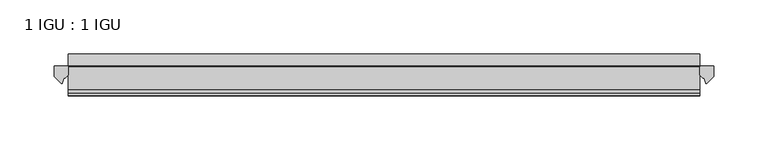
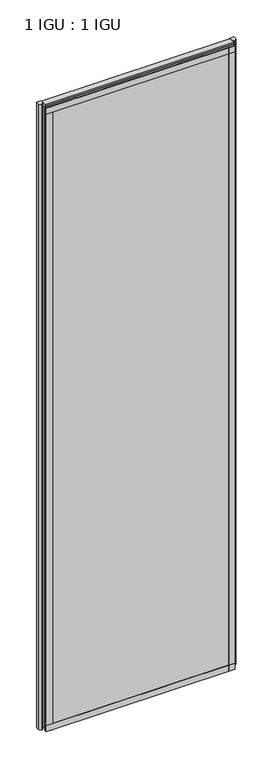
"""IFC4 building model written with IfcOpenShell, lengths in millimetres: plate geometry, 1 IGU : 1 IGU."""

from ifc_helpers import new_model, si_unit, point, frame, frame_2d, origin, place, context, project, spatial, polyline, circle_curve, ellipse_curve, trimmed, segment, composite_curve, outline, extrude, source, transform, mapped, element, save
from ifc_brep_helpers import plane_surface, cylinder_surface, revolved_surface, extruded_surface, advanced_brep


def plate_1_igu_1_igu_72971889(model_context):
    return source(origin(), model_context, "Body", "SolidModel", [
        extrude(outline(polyline([(292.1, -11.6085937), (292.1, -18.8576359), (-292.1, -18.8576359), (-292.1, -11.6085937), (292.1, -11.6085937)])), frame((0.0, 0.0, -19.05), z_axis=(0.0, 0.0, 1.0), x_axis=(1.0, 0.0, 0.0)), (0.0, 0.0, 1.0), 2038.3500001),
        extrude(outline(polyline([(-292.1, -30.7093937), (292.1, -30.7093937), (292.1, -37.0085937), (-292.1, -37.0085937), (-292.1, -30.7093937)])), frame((0.0, 0.0, -19.05), z_axis=(0.0, 0.0, 1.0), x_axis=(1.0, 0.0, 0.0)), (0.0, 0.0, 1.0), 2038.3500001),
        extrude(outline(composite_curve([segment(polyline([(305.1779091, -11.6101465), (304.8, -21.3502133), (298.8619467, -27.6095865)]), True, "CONTINUOUS"), segment(trimmed(circle_curve(frame_2d((298.1891407, -27.2518492)), 0.762), [point((298.8619467, -27.6095865))], [point((297.4604364, -27.4746364))], False, "CARTESIAN"), True, "CONTINUOUS"), segment(polyline([(297.4604364, -27.4746364), (296.1986019, -23.3488397)]), True, "CONTINUOUS"), segment(trimmed(circle_curve(frame_2d((298.380559, -16.3834724)), 7.2991286), [point((296.1986019, -23.3488397))], [point((292.1001786, -20.1028944))], False, "CARTESIAN"), True, "CONTINUOUS"), segment(polyline([(292.1001786, -20.1028944), (292.1001786, -12.664425)]), True, "CONTINUOUS"), segment(trimmed(circle_curve(frame_2d((298.3814331, -16.3827796)), 7.2993369), [point((292.1001786, -12.664425))], [point((292.858545, -11.6101465))], False, "CARTESIAN"), True, "CONTINUOUS"), segment(polyline([(292.858545, -11.6101465), (305.1779091, -11.6101465)]), True, "CONTINUOUS")], self_intersect=False)), frame((0.0, 0.0, -19.05), z_axis=(0.0, 0.0, 1.0), x_axis=(1.0, 0.0, 0.0)), (0.0, 0.0, 1.0), 2045.4874001),
        extrude(outline(composite_curve([segment(polyline([(-292.1, -11.610702), (-292.1, -20.1014769)]), True, "CONTINUOUS"), segment(trimmed(circle_curve(frame_2d((-298.3811943, -16.3829847)), 7.2993552), [point((-292.1, -20.1014769))], [point((-296.1989498, -23.3484994))], False, "CARTESIAN"), True, "CONTINUOUS"), segment(polyline([(-296.1989498, -23.3484994), (-297.4604364, -27.4746364)]), True, "CONTINUOUS"), segment(trimmed(circle_curve(frame_2d((-298.1891407, -27.2518492)), 0.762), [point((-297.4604364, -27.4746364))], [point((-298.8619467, -27.6095865))], False, "CARTESIAN"), True, "CONTINUOUS"), segment(polyline([(-298.8619467, -27.6095865), (-304.8, -21.3502133), (-305.1779091, -11.610702), (-292.1, -11.610702)]), True, "CONTINUOUS")], self_intersect=False)), frame((0.0, 0.0, -19.05), z_axis=(0.0, 0.0, 1.0), x_axis=(1.0, 0.0, 0.0)), (0.0, 0.0, 1.0), 2045.4874001),
        extrude(outline(polyline([(-11.6085937, -15.24), (-11.6085937, 2.8161565), (-0.5298609, 1.2591422), (-0.5298609, -0.6645794), (-5.258589, 0.0), (-5.258589, -4.826), (-1.575589, -4.826), (-1.575589, -7.874), (-5.258589, -7.874), (-5.258589, -13.208), (-3.099589, -13.208), (-3.099589, -15.24), (-11.6085937, -15.24)])), frame((-292.1, 0.0, 0.0), z_axis=(1.0, 0.0, 0.0), x_axis=(0.0, 1.0, 0.0)), (0.0, 0.0, 1.0), 584.2),
        extrude(outline(polyline([(-292.1, -39.2945937), (-292.1, -37.0085937), (292.1, -37.0085937), (292.1, -39.2945937), (-292.1, -39.2945937)])), frame((0.0, 0.0, -19.05), z_axis=(0.0, 0.0, 1.0), x_axis=(1.0, 0.0, 0.0)), (0.0, 0.0, 1.0), 19.05),
        advanced_brep(
        [(-292.1, -24.3085937, 2018.1276629), (-292.1, -33.4116395, 2026.4374001), (-292.1, -12.7165288, 2026.4374001), (-292.1, -11.6085937, 2019.3000001), (-292.1, -17.9077937, 2019.3000001), (292.1, -24.3085937, 2018.1276629), (292.1, -17.9077937, 2019.3000001), (292.1, -11.6085937, 2019.3000001), (292.1, -12.7165288, 2026.4374001), (292.1, -33.4116395, 2026.4374001)],
        [
            (0, 1, ellipse_curve(frame((-292.1, -24.3085937, 2028.8250001), z_axis=(-1.0, 0.0, 0.0), x_axis=(0.0, 0.0, -1.0)), 10.6973372, 9.3386252)),
            (1, 2),
            (2, 3, circle_curve(frame((-292.1, 26.2083666, 2028.8250001), z_axis=(1.0, 0.0, 0.0), x_axis=(0.0, 0.0, -1.0)), 38.9980527)),
            (3, 4),
            (4, 0, circle_curve(frame((-292.1, -24.3085937, 2036.1875764), z_axis=(-1.0, 0.0, 0.0), x_axis=(0.0, 0.0, -1.0)), 18.0599135)),
            (5, 6, circle_curve(frame((292.1, -24.3085937, 2036.1875764), z_axis=(1.0, 0.0, 0.0), x_axis=(0.0, 0.0, -1.0)), 18.0599135)),
            (6, 7),
            (7, 8, circle_curve(frame((292.1, 26.2083666, 2028.8250001), z_axis=(-1.0, 0.0, 0.0), x_axis=(0.0, 0.0, -1.0)), 38.9980527)),
            (8, 9),
            (9, 5, ellipse_curve(frame((292.1, -24.3085937, 2028.8250001), z_axis=(1.0, 0.0, 0.0), x_axis=(0.0, 0.0, -1.0)), 10.6973372, 9.3386252)),
            (0, 5),
            (9, 1),
            (8, 2),
            (7, 3),
            (6, 4),
        ],
        [
            plane_surface(frame((-292.1, -9.2273437, 2028.8250001), z_axis=(-1.0, 0.0, 0.0), x_axis=(0.0, 1.0, 0.0))),
            plane_surface(frame((292.1, -9.2273438, 2028.8250001), z_axis=(1.0, 0.0, 0.0), x_axis=(0.0, 1.0, 0.0))),
            extruded_surface(trimmed(ellipse_curve(frame((292.1, -24.3085937, 2028.8250001), z_axis=(-1.0, 0.0, 0.0), x_axis=(0.0, 0.0, -1.0)), 10.6973372, 9.3386252), [point((292.1, -24.3085937, 2018.1276629))], [point((292.1, -33.4116395, 2026.4374001))], True, "CARTESIAN"), (-584.2, 0.0, 0.0), 584.2),
            plane_surface(frame((-292.1, -33.4116395, 2026.4374001), z_axis=(0.0, 0.0, 1.0), x_axis=(1.0, 0.0, 0.0))),
            revolved_surface(polyline([(292.1, 26.2083666, 1989.8269473999999), (-292.1, 26.2083666, 1989.8269473999999)]), (-292.1, 26.2083666, 2028.8250001), (1.0, 0.0, 0.0)),
            plane_surface(frame((-292.1, -11.6085937, 2019.3000001), z_axis=(0.0, 0.0, -1.0), x_axis=(1.0, 0.0, 0.0))),
            cylinder_surface(frame((-292.1, -24.3085937, 2036.1875764), z_axis=(-1.0, 0.0, 0.0), x_axis=(0.0, 0.0, -1.0)), 18.0599135),
        ],
        [
            (0, [[1, 2, 3, 4, 5]]),
            (1, [[6, 7, 8, 9, 10]]),
            (2, [[-1, 11, -10, 12]]),
            (3, [[-2, -12, -9, 13]]),
            (4, [[-3, -13, -8, 14]]),
            (5, [[-4, -14, -7, 15]]),
            (6, [[-5, -15, -6, -11]]),
        ],
    ),
        extrude(outline(polyline([(-292.1, -39.2945937), (-292.1, -37.0085937), (292.1, -37.0085937), (292.1, -39.2945937), (-292.1, -39.2945937)])), frame((0.0, 0.0, 2000.2500001), z_axis=(0.0, 0.0, 1.0), x_axis=(1.0, 0.0, 0.0)), (0.0, 0.0, 1.0), 19.05),
        extrude(outline(polyline([(273.05, -37.0085937), (292.1, -37.0085937), (292.1, -39.2945938), (273.05, -39.2945938), (273.05, -37.0085937)])), frame((0.0, 0.0, -19.05), z_axis=(0.0, 0.0, 1.0), x_axis=(1.0, 0.0, 0.0)), (0.0, 0.0, 1.0), 2038.3500001),
        extrude(outline(polyline([(-292.1, -39.2945937), (-292.1, -37.0085937), (-273.05, -37.0085937), (-273.05, -39.2945937), (-292.1, -39.2945937)])), frame((0.0, 0.0, -19.05), z_axis=(0.0, 0.0, 1.0), x_axis=(1.0, 0.0, 0.0)), (0.0, 0.0, 1.0), 2038.3500001),
    ])


if __name__ == "__main__":
    model = new_model("IFC4")
    model_context = context("Model", 3, world=origin())
    ifc_project = project(units=[si_unit("LENGTHUNIT", "METRE", prefix="MILLI")], contexts=[model_context])
    site = spatial("IfcSite", under=ifc_project)
    building = spatial("IfcBuilding", under=site)
    placement = place(None, origin())
    plate_1_igu_1_igu_shape = plate_1_igu_1_igu_72971889(model_context)
    element("IfcPlate", 1, ObjectType="1 IGU : 1 IGU", at=placement, inside=building, context=model_context, shape_type="MappedRepresentation", body=[
        mapped(plate_1_igu_1_igu_shape, transform((0.0, 0.0, 0.0), x_axis=(1.0, 0.0, 0.0), y_axis=(0.0, 1.0, 0.0), z_axis=(0.0, 0.0, 1.0))),
    ])
    save(model, "model.ifc")
